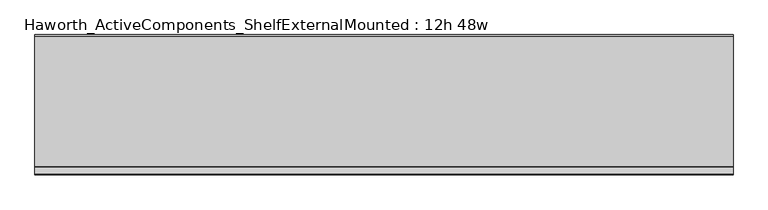
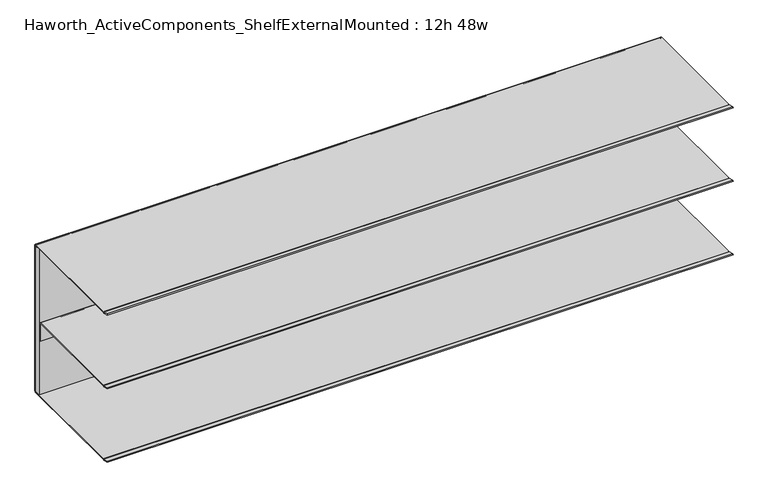
"""IFC4 building model written with IfcOpenShell, lengths in millimetres: furniture geometry, Haworth_ActiveComponents_ShelfExternalMounted : 12h 48w."""

from ifc_helpers import new_model, si_unit, point, frame, frame_2d, origin, place, context, project, spatial, polyline, circle_curve, trimmed, segment, composite_curve, outline, extrude, source, transform, mapped, element, save


def haworth_activecomponents_shelfexternalmounted_12h_48w_c2ccacb0(model_context):
    return source(origin(), model_context, "Body", "SweptSolid", [
        extrude(outline(polyline([(-2260.546931, -1108.8104248), (-2260.546931, -1096.1601932), (-1041.346931, -1096.1601932), (-1041.346931, -1108.8104248), (-2260.546931, -1108.8104248)])), frame((0.0, 0.0, 587.0955999), z_axis=(0.0, 0.0, 1.0), x_axis=(1.0, 0.0, 0.0)), (0.0, 0.0, 1.0), 299.0087945),
        extrude(outline(composite_curve([segment(polyline([(-1097.380424, 584.2), (-1325.9274211, 584.2)]), True, "CONTINUOUS"), segment(trimmed(circle_curve(frame_2d((-1325.9274211, 587.375)), 3.175), [point((-1325.9274211, 584.2))], [point((-1326.7491675, 584.3081844))], False, "CARTESIAN"), True, "CONTINUOUS"), segment(polyline([(-1326.7491675, 584.3081844), (-1338.9841932, 587.5865324), (-1338.4911456, 589.426621), (-1326.4983733, 586.2131843)]), True, "CONTINUOUS"), segment(trimmed(circle_curve(frame_2d((-1325.6766268, 589.2799999)), 3.175), [point((-1326.4983733, 586.2131843))], [point((-1325.6766268, 586.1049999))], True, "CARTESIAN"), True, "CONTINUOUS"), segment(polyline([(-1325.6766268, 586.1049999), (-1097.1943019, 586.1049999)]), True, "CONTINUOUS"), segment(trimmed(circle_curve(frame_2d((-1097.1943019, 587.1888762)), 1.0838764), [point((-1097.1943019, 586.1049999))], [point((-1096.1104256, 587.1888762))], True, "CARTESIAN"), True, "CONTINUOUS"), segment(polyline([(-1096.1104256, 587.1888762), (-1096.1104256, 886.0673706)]), True, "CONTINUOUS"), segment(trimmed(circle_curve(frame_2d((-1097.1380502, 886.0673706)), 1.0276247), [point((-1096.1104256, 886.0673706))], [point((-1097.1380502, 887.0949953))], True, "CARTESIAN"), True, "CONTINUOUS"), segment(polyline([(-1097.1380502, 887.0949953), (-1325.8780783, 887.0949953)]), True, "CONTINUOUS"), segment(trimmed(circle_curve(frame_2d((-1325.8780783, 890.2699953)), 3.175), [point((-1325.8780783, 887.0949953))], [point((-1326.6998504, 887.2031866))], False, "CARTESIAN"), True, "CONTINUOUS"), segment(polyline([(-1326.6998504, 887.2031866), (-1338.9344324, 890.4815255), (-1338.4413666, 892.3216203), (-1326.4490248, 889.1081913)]), True, "CONTINUOUS"), segment(trimmed(circle_curve(frame_2d((-1325.6272527, 892.175)), 3.175), [point((-1326.4490248, 889.1081913))], [point((-1325.6272527, 889.0))], True, "CARTESIAN"), True, "CONTINUOUS"), segment(polyline([(-1325.6272527, 889.0), (-1097.380424, 889.0)]), True, "CONTINUOUS"), segment(trimmed(circle_curve(frame_2d((-1097.380424, 885.825)), 3.175), [point((-1097.380424, 889.0))], [point((-1094.205424, 885.825))], False, "CARTESIAN"), True, "CONTINUOUS"), segment(polyline([(-1094.205424, 885.825), (-1094.205424, 587.375)]), True, "CONTINUOUS"), segment(trimmed(circle_curve(frame_2d((-1097.380424, 587.375)), 3.175), [point((-1094.205424, 587.375))], [point((-1097.380424, 584.2))], False, "CARTESIAN"), True, "CONTINUOUS")], self_intersect=False)), frame((-2260.546931, 0.0, 0.0), z_axis=(1.0, 0.0, 0.0), x_axis=(0.0, 1.0, 0.0)), (0.0, 0.0, 1.0), 1219.2),
        extrude(outline(composite_curve([segment(polyline([(-1338.9344324, 739.0213301), (-1338.4413666, 740.8614249), (-1326.4490005, 737.6479893)]), True, "CONTINUOUS"), segment(trimmed(circle_curve(frame_2d((-1325.6272283, 740.714798)), 3.175), [point((-1326.4490005, 737.6479893))], [point((-1325.6272283, 737.539798))], True, "CARTESIAN"), True, "CONTINUOUS"), segment(polyline([(-1325.6272283, 737.539798), (-1113.319713, 737.539798)]), True, "CONTINUOUS"), segment(trimmed(circle_curve(frame_2d((-1113.319713, 734.5545084)), 2.9852896), [point((-1113.319713, 737.539798))], [point((-1110.3344234, 734.5545084))], False, "CARTESIAN"), True, "CONTINUOUS"), segment(polyline([(-1110.3344234, 734.5545084), (-1110.3344234, 699.439798), (-1112.2394238, 699.439798), (-1112.2394238, 734.6253876)]), True, "CONTINUOUS"), segment(trimmed(circle_curve(frame_2d((-1113.248836, 734.6253876)), 1.0094122), [point((-1112.2394238, 734.6253876))], [point((-1113.248836, 735.6347998))], True, "CARTESIAN"), True, "CONTINUOUS"), segment(polyline([(-1113.248836, 735.6347998), (-1325.8780783, 735.6347998)]), True, "CONTINUOUS"), segment(trimmed(circle_curve(frame_2d((-1325.8780783, 738.8097998)), 3.175), [point((-1325.8780783, 735.6347998))], [point((-1326.6998504, 735.7429911))], False, "CARTESIAN"), True, "CONTINUOUS"), segment(polyline([(-1326.6998504, 735.7429911), (-1338.9344324, 739.0213301)]), True, "CONTINUOUS")], self_intersect=False)), frame((-2260.546931, 0.0, 0.0), z_axis=(1.0, 0.0, 0.0), x_axis=(0.0, 1.0, 0.0)), (0.0, 0.0, 1.0), 1219.2),
    ])


if __name__ == "__main__":
    model = new_model("IFC4")
    model_context = context("Model", 3, world=origin())
    ifc_project = project(units=[si_unit("LENGTHUNIT", "METRE", prefix="MILLI")], contexts=[model_context])
    site = spatial("IfcSite", under=ifc_project)
    building = spatial("IfcBuilding", under=site)
    placement = place(None, origin())
    haworth_activecomponents_shelfexternalmounted_12h_48w_shape = haworth_activecomponents_shelfexternalmounted_12h_48w_c2ccacb0(model_context)
    element("IfcFurniture", 1, ObjectType="Haworth_ActiveComponents_ShelfExternalMounted : 12h 48w", at=placement, inside=building, context=model_context, shape_type="MappedRepresentation", body=[
        mapped(haworth_activecomponents_shelfexternalmounted_12h_48w_shape, transform((0.0, 0.0, 0.0), x_axis=(1.0, 0.0, 0.0), y_axis=(0.0, 1.0, 0.0), z_axis=(0.0, 0.0, 1.0))),
    ])
    save(model, "model.ifc")
